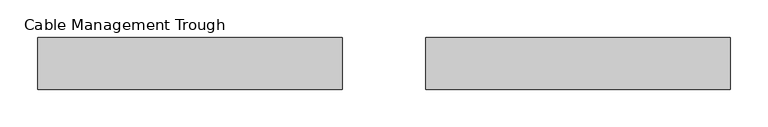
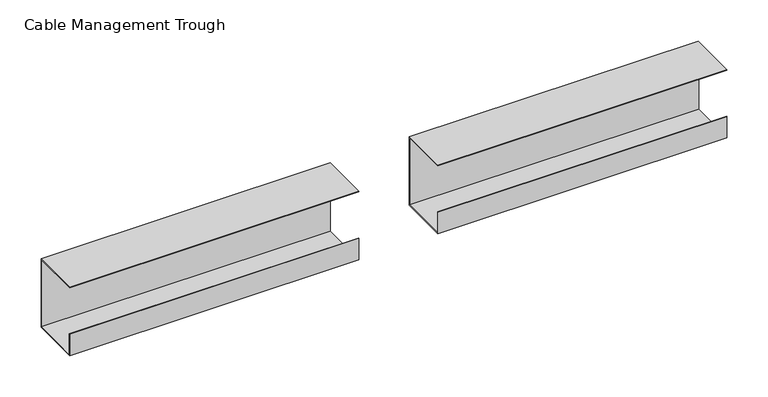
"""IFC4 building model written with IfcOpenShell, lengths in millimetres: furniture geometry, Cable Management Trough."""

from ifc_helpers import new_model, si_unit, frame, origin, place, context, project, spatial, polyline, outline, extrude, source, transform, mapped, element, save


def cable_management_trough_f3949aa5(model_context):
    return source(origin(), model_context, "Body", "SweptSolid", [
        extrude(outline(polyline([(74.5875501, 707.009), (74.5875501, 605.4089879), (4.7375531, 605.4089879), (4.7375531, 637.1589758), (5.5249531, 637.1589758), (5.5249531, 606.1963879), (73.8001501, 606.1963879), (73.8001501, 706.2216), (4.7375531, 706.2216), (4.7375531, 707.009), (74.5875501, 707.009)])), frame((-460.4200223, 0.0, 0.0), z_axis=(1.0, 0.0, 0.0), x_axis=(0.0, 1.0, 0.0)), (0.0, 0.0, 1.0), 406.400003),
        extrude(outline(polyline([(74.5875501, 707.009), (74.5875501, 605.4089879), (4.7375531, 605.4089879), (4.7375531, 637.1589758), (5.5249531, 637.1589758), (5.5249531, 606.1963879), (73.8001501, 606.1963879), (73.8001501, 706.2216), (4.7375531, 706.2216), (4.7375531, 707.009), (74.5875501, 707.009)])), frame((57.108154, 0.0, 0.0), z_axis=(1.0, 0.0, 0.0), x_axis=(0.0, 1.0, 0.0)), (0.0, 0.0, 1.0), 406.4000121),
    ])


if __name__ == "__main__":
    model = new_model("IFC4")
    model_context = context("Model", 3, world=origin())
    ifc_project = project(units=[si_unit("LENGTHUNIT", "METRE", prefix="MILLI")], contexts=[model_context])
    site = spatial("IfcSite", under=ifc_project)
    building = spatial("IfcBuilding", under=site)
    placement = place(None, origin())
    cable_management_trough_shape = cable_management_trough_f3949aa5(model_context)
    element("IfcFurniture", 1, ObjectType="Cable Management Trough", at=placement, inside=building, context=model_context, shape_type="MappedRepresentation", body=[
        mapped(cable_management_trough_shape, transform((0.0, 0.0, 0.0), x_axis=(1.0, 0.0, 0.0), y_axis=(0.0, 1.0, 0.0), z_axis=(0.0, 0.0, 1.0))),
    ])
    save(model, "model.ifc")
